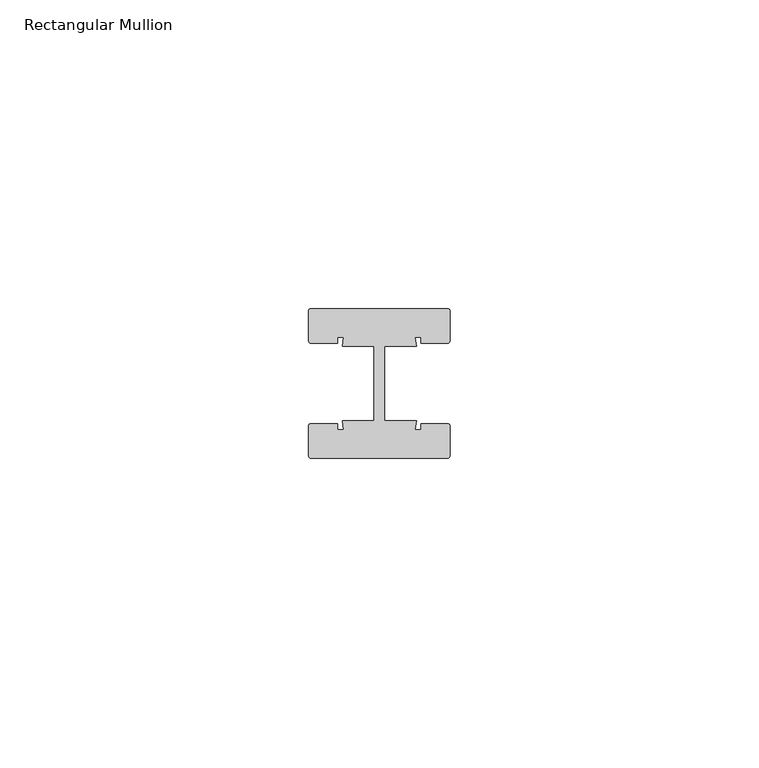
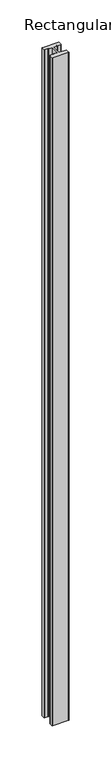
"""IFC4 building model written with IfcOpenShell, lengths in millimetres: member geometry, Rectangular Mullion."""

from ifc_helpers import new_model, si_unit, point, frame, frame_2d, origin, place, context, project, spatial, polyline, circle_curve, trimmed, segment, composite_curve, outline, extrude, source, transform, mapped, element, save


def rectangular_mullion_72a36694(model_context):
    return source(origin(), model_context, "Body", "SweptSolid", [
        extrude(outline(composite_curve([segment(trimmed(circle_curve(frame_2d((-11.0, 11.64)), 0.5), [point((-11.5, 11.64))], [point((-11.0, 12.14))], False, "CARTESIAN"), True, "CONTINUOUS"), segment(polyline([(-11.0, 12.14), (11.0, 12.14)]), True, "CONTINUOUS"), segment(trimmed(circle_curve(frame_2d((11.0, 11.64)), 0.5), [point((11.0, 12.14))], [point((11.5, 11.64))], False, "CARTESIAN"), True, "CONTINUOUS"), segment(polyline([(11.5, 11.64), (11.5, 7.0)]), True, "CONTINUOUS"), segment(trimmed(circle_curve(frame_2d((11.0, 7.0)), 0.5), [point((11.5, 7.0))], [point((11.0, 6.5))], False, "CARTESIAN"), True, "CONTINUOUS"), segment(polyline([(11.0, 6.5), (6.75, 6.5), (6.75, 7.5), (5.7984177, 7.5), (6.0, 6.0), (0.840625, 6.0), (0.840625, -6.0), (6.0, -6.0), (5.7984177, -7.5), (6.75, -7.5), (6.75, -6.5), (11.0, -6.5)]), True, "CONTINUOUS"), segment(trimmed(circle_curve(frame_2d((11.0, -7.0)), 0.5), [point((11.0, -6.5))], [point((11.5, -7.0))], False, "CARTESIAN"), True, "CONTINUOUS"), segment(polyline([(11.5, -7.0), (11.5, -11.64)]), True, "CONTINUOUS"), segment(trimmed(circle_curve(frame_2d((11.0, -11.64)), 0.5), [point((11.5, -11.64))], [point((11.0, -12.14))], False, "CARTESIAN"), True, "CONTINUOUS"), segment(polyline([(11.0, -12.14), (-11.0, -12.14)]), True, "CONTINUOUS"), segment(trimmed(circle_curve(frame_2d((-11.0, -11.64)), 0.5), [point((-11.0, -12.14))], [point((-11.5, -11.64))], False, "CARTESIAN"), True, "CONTINUOUS"), segment(polyline([(-11.5, -11.64), (-11.5, -7.0)]), True, "CONTINUOUS"), segment(trimmed(circle_curve(frame_2d((-11.0, -7.0)), 0.5), [point((-11.5, -7.0))], [point((-11.0, -6.5))], False, "CARTESIAN"), True, "CONTINUOUS"), segment(polyline([(-11.0, -6.5), (-6.75, -6.5), (-6.75, -7.5), (-5.7984177, -7.5), (-6.0, -6.0), (-0.840625, -6.0), (-0.840625, 6.0), (-6.0, 6.0), (-5.7984177, 7.5), (-6.75, 7.5), (-6.75, 6.5), (-11.0, 6.5)]), True, "CONTINUOUS"), segment(trimmed(circle_curve(frame_2d((-11.0, 7.0)), 0.5), [point((-11.0, 6.5))], [point((-11.5, 7.0))], False, "CARTESIAN"), True, "CONTINUOUS"), segment(polyline([(-11.5, 7.0), (-11.5, 11.64)]), True, "CONTINUOUS")], self_intersect=False)), frame((0.0, 0.0, -967.6), z_axis=(0.0, 0.0, 1.0), x_axis=(1.0, 0.0, 0.0)), (0.0, 0.0, 1.0), 967.6),
    ])


if __name__ == "__main__":
    model = new_model("IFC4")
    model_context = context("Model", 3, world=origin())
    ifc_project = project(units=[si_unit("LENGTHUNIT", "METRE", prefix="MILLI")], contexts=[model_context])
    site = spatial("IfcSite", under=ifc_project)
    building = spatial("IfcBuilding", under=site)
    placement = place(None, origin())
    rectangular_mullion_shape = rectangular_mullion_72a36694(model_context)
    element("IfcMember", 1, ObjectType="Rectangular Mullion", at=placement, inside=building, context=model_context, shape_type="MappedRepresentation", body=[
        mapped(rectangular_mullion_shape, transform((0.0, 0.0, 0.0), x_axis=(1.0, 0.0, 0.0), y_axis=(0.0, 1.0, 0.0), z_axis=(0.0, 0.0, 1.0))),
    ])
    save(model, "model.ifc")
